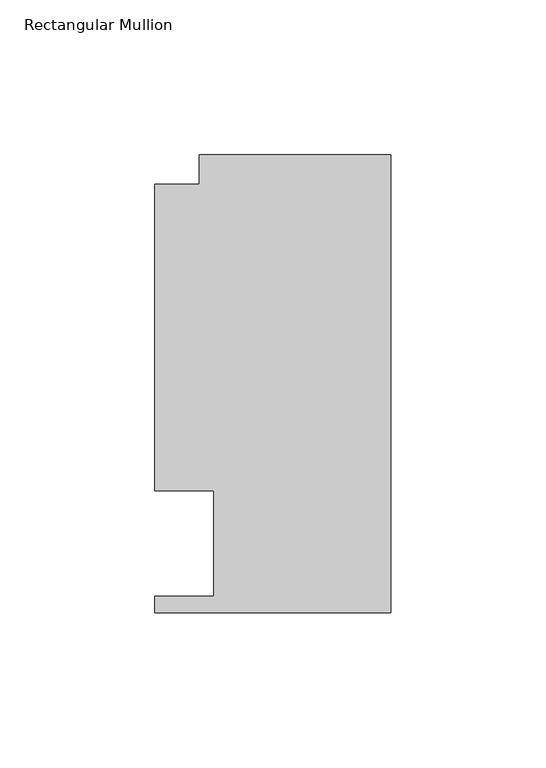
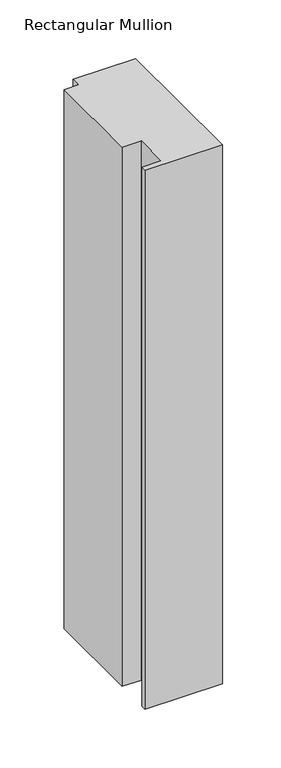
"""IFC4 building model written with IfcOpenShell, lengths in millimetres: member geometry, Rectangular Mullion."""

from ifc_helpers import new_model, si_unit, frame, origin, place, context, project, spatial, polyline, outline, extrude, source, transform, mapped, element, save


def rectangular_mullion_37e847a5(model_context):
    return source(origin(), model_context, "Body", "SweptSolid", [
        extrude(outline(polyline([(-61.9124999, 147.847839), (0.0, 147.847839), (0.0, 0.019839), (-76.2, 0.019839), (-76.2, 5.353839), (-57.1499999, 5.353839), (-57.1499999, 39.3898438), (-76.1999999, 39.3898438), (-76.1999999, 138.322839), (-61.9124999, 138.322839), (-61.9124999, 147.847839)])), frame((0.0, 0.0, -561.487016), z_axis=(0.0, 0.0, 1.0), x_axis=(1.0, 0.0, 0.0)), (0.0, 0.0, 1.0), 561.487016),
    ])


if __name__ == "__main__":
    model = new_model("IFC4")
    model_context = context("Model", 3, world=origin())
    ifc_project = project(units=[si_unit("LENGTHUNIT", "METRE", prefix="MILLI")], contexts=[model_context])
    site = spatial("IfcSite", under=ifc_project)
    building = spatial("IfcBuilding", under=site)
    placement = place(None, origin())
    rectangular_mullion_shape = rectangular_mullion_37e847a5(model_context)
    element("IfcMember", 1, ObjectType="Rectangular Mullion", at=placement, inside=building, context=model_context, shape_type="MappedRepresentation", body=[
        mapped(rectangular_mullion_shape, transform((0.0, 0.0, 0.0), x_axis=(1.0, 0.0, 0.0), y_axis=(0.0, 1.0, 0.0), z_axis=(0.0, 0.0, 1.0))),
    ])
    save(model, "model.ifc")
